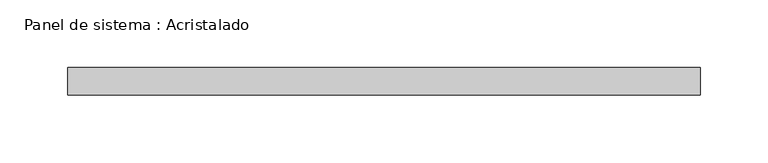
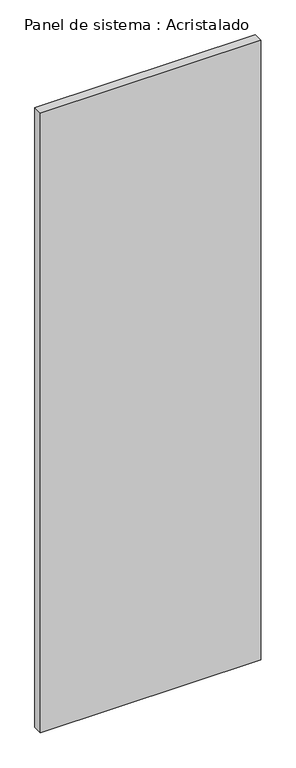
"""IFC4 building model written with IfcOpenShell, lengths in millimetres: plate geometry, Panel de sistema : Acristalado."""

from ifc_helpers import new_model, si_unit, origin, origin_with_axes, place, context, project, spatial, polyline, outline, extrude, source, transform, mapped, element, save


def panel_de_sistema_acristalado_9d52ffe1(model_context):
    return source(origin(), model_context, "Body", "SweptSolid", [
        extrude(outline(polyline([(232.5, -10.0), (-232.5, -10.0), (-232.5, 10.0), (232.5, 10.0), (232.5, -10.0)])), origin_with_axes(), (0.0, 0.0, 1.0), 1382.4904288),
    ])


if __name__ == "__main__":
    model = new_model("IFC4")
    model_context = context("Model", 3, world=origin())
    ifc_project = project(units=[si_unit("LENGTHUNIT", "METRE", prefix="MILLI")], contexts=[model_context])
    site = spatial("IfcSite", under=ifc_project)
    building = spatial("IfcBuilding", under=site)
    placement = place(None, origin())
    panel_de_sistema_acristalado_shape = panel_de_sistema_acristalado_9d52ffe1(model_context)
    element("IfcPlate", 1, ObjectType="Panel de sistema : Acristalado", at=placement, inside=building, context=model_context, shape_type="MappedRepresentation", body=[
        mapped(panel_de_sistema_acristalado_shape, transform((0.0, 0.0, 0.0), x_axis=(1.0, 0.0, 0.0), y_axis=(0.0, 1.0, 0.0), z_axis=(0.0, 0.0, 1.0))),
    ])
    save(model, "model.ifc")
